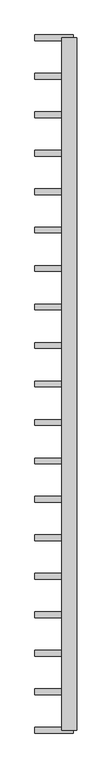
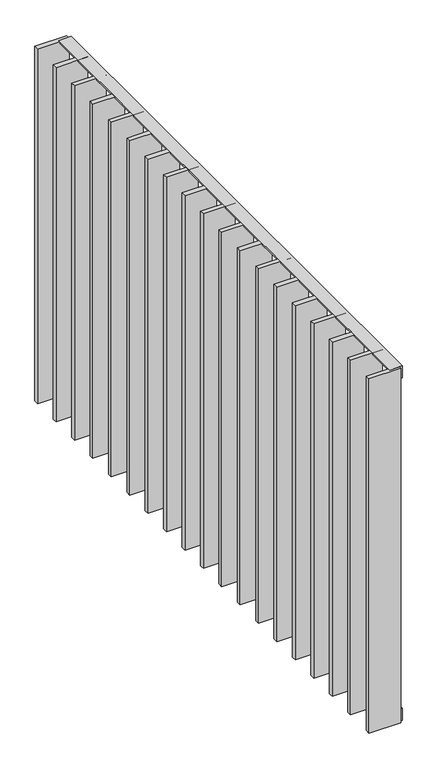
"""IFC4 building model written with IfcOpenShell, lengths in millimetres: railing geometry."""

from ifc_helpers import new_model, si_unit, frame, origin, place, context, project, spatial, polyline, outline, extrude, source, transform, mapped, element, save


def railing_69eebed1(model_context):
    return source(origin(), model_context, "Body", "SweptSolid", [
        extrude(outline(polyline([(6.0, -14.0), (40.0, -14.0), (40.0, -20.0), (0.0, -20.0), (0.0, 20.0), (6.0, 20.0), (6.0, -14.0)])), frame((42559.5112278, 21360.9194272, 8000.0), z_axis=(-2.5414472736162822e-12, 1.0, 0.0), x_axis=(0.0, 0.0, -1.0)), (0.0, 0.0, 1.0), 1810.0),
        extrude(outline(polyline([(-6.0, -14.0), (-6.0, 20.0), (0.0, 20.0), (0.0, -20.0), (-40.0, -20.0), (-40.0, -14.0), (-6.0, -14.0)])), frame((42559.5112278, 21360.9194272, 6820.0), z_axis=(-2.5414472736162822e-12, 1.0, 0.0), x_axis=(0.0, 0.0, -1.0)), (0.0, 0.0, 1.0), 1810.0),
        extrude(outline(polyline([(42569.5112278, 21468.9749827), (42569.5112278, 21453.9749827), (42469.5112278, 21453.9749827), (42469.5112278, 21468.9749827), (42569.5112278, 21468.9749827)])), frame((0.0, 0.0, 6819.9), z_axis=(0.0, 0.0, 1.0), x_axis=(1.0, 0.0, 0.0)), (0.0, 0.0, 1.0), 1180.2),
        extrude(outline(polyline([(42569.5112278, 21569.5305383), (42569.5112278, 21554.5305383), (42469.5112278, 21554.5305383), (42469.5112278, 21569.5305383), (42569.5112278, 21569.5305383)])), frame((0.0, 0.0, 6819.9), z_axis=(0.0, 0.0, 1.0), x_axis=(1.0, 0.0, 0.0)), (0.0, 0.0, 1.0), 1180.2),
        extrude(outline(polyline([(42569.5112278, 21670.0860938), (42569.5112278, 21655.0860938), (42469.5112278, 21655.0860938), (42469.5112278, 21670.0860938), (42569.5112278, 21670.0860938)])), frame((0.0, 0.0, 6819.9), z_axis=(0.0, 0.0, 1.0), x_axis=(1.0, 0.0, 0.0)), (0.0, 0.0, 1.0), 1180.2),
        extrude(outline(polyline([(42569.5112278, 21770.6416494), (42569.5112278, 21755.6416494), (42469.5112278, 21755.6416494), (42469.5112278, 21770.6416494), (42569.5112278, 21770.6416494)])), frame((0.0, 0.0, 6819.9), z_axis=(0.0, 0.0, 1.0), x_axis=(1.0, 0.0, 0.0)), (0.0, 0.0, 1.0), 1180.2),
        extrude(outline(polyline([(42569.5112278, 21871.1972049), (42569.5112278, 21856.1972049), (42469.5112278, 21856.1972049), (42469.5112278, 21871.1972049), (42569.5112278, 21871.1972049)])), frame((0.0, 0.0, 6819.9), z_axis=(0.0, 0.0, 1.0), x_axis=(1.0, 0.0, 0.0)), (0.0, 0.0, 1.0), 1180.2),
        extrude(outline(polyline([(42569.5112278, 21971.7527605), (42569.5112278, 21956.7527605), (42469.5112278, 21956.7527605), (42469.5112278, 21971.7527605), (42569.5112278, 21971.7527605)])), frame((0.0, 0.0, 6819.9), z_axis=(0.0, 0.0, 1.0), x_axis=(1.0, 0.0, 0.0)), (0.0, 0.0, 1.0), 1180.2),
        extrude(outline(polyline([(42569.5112278, 22072.308316), (42569.5112278, 22057.308316), (42469.5112278, 22057.308316), (42469.5112278, 22072.308316), (42569.5112278, 22072.308316)])), frame((0.0, 0.0, 6819.9), z_axis=(0.0, 0.0, 1.0), x_axis=(1.0, 0.0, 0.0)), (0.0, 0.0, 1.0), 1180.2),
        extrude(outline(polyline([(42569.5112278, 22172.8638716), (42569.5112278, 22157.8638716), (42469.5112278, 22157.8638716), (42469.5112278, 22172.8638716), (42569.5112278, 22172.8638716)])), frame((0.0, 0.0, 6819.9), z_axis=(0.0, 0.0, 1.0), x_axis=(1.0, 0.0, 0.0)), (0.0, 0.0, 1.0), 1180.2),
        extrude(outline(polyline([(42569.5112278, 22273.4194272), (42569.5112278, 22258.4194272), (42469.5112278, 22258.4194272), (42469.5112278, 22273.4194272), (42569.5112278, 22273.4194272)])), frame((0.0, 0.0, 6819.9), z_axis=(0.0, 0.0, 1.0), x_axis=(1.0, 0.0, 0.0)), (0.0, 0.0, 1.0), 1180.2),
        extrude(outline(polyline([(42569.5112278, 22373.9749827), (42569.5112278, 22358.9749827), (42469.5112278, 22358.9749827), (42469.5112278, 22373.9749827), (42569.5112278, 22373.9749827)])), frame((0.0, 0.0, 6819.9), z_axis=(0.0, 0.0, 1.0), x_axis=(1.0, 0.0, 0.0)), (0.0, 0.0, 1.0), 1180.2),
        extrude(outline(polyline([(42569.5112278, 22474.5305383), (42569.5112278, 22459.5305383), (42469.5112278, 22459.5305383), (42469.5112278, 22474.5305383), (42569.5112278, 22474.5305383)])), frame((0.0, 0.0, 6819.9), z_axis=(0.0, 0.0, 1.0), x_axis=(1.0, 0.0, 0.0)), (0.0, 0.0, 1.0), 1180.2),
        extrude(outline(polyline([(42569.5112278, 22575.0860938), (42569.5112278, 22560.0860938), (42469.5112278, 22560.0860938), (42469.5112278, 22575.0860938), (42569.5112278, 22575.0860938)])), frame((0.0, 0.0, 6819.9), z_axis=(0.0, 0.0, 1.0), x_axis=(1.0, 0.0, 0.0)), (0.0, 0.0, 1.0), 1180.2),
        extrude(outline(polyline([(42569.5112278, 22675.6416494), (42569.5112278, 22660.6416494), (42469.5112278, 22660.6416494), (42469.5112278, 22675.6416494), (42569.5112278, 22675.6416494)])), frame((0.0, 0.0, 6819.9), z_axis=(0.0, 0.0, 1.0), x_axis=(1.0, 0.0, 0.0)), (0.0, 0.0, 1.0), 1180.2),
        extrude(outline(polyline([(42569.5112278, 22776.1972049), (42569.5112278, 22761.1972049), (42469.5112278, 22761.1972049), (42469.5112278, 22776.1972049), (42569.5112278, 22776.1972049)])), frame((0.0, 0.0, 6819.9), z_axis=(0.0, 0.0, 1.0), x_axis=(1.0, 0.0, 0.0)), (0.0, 0.0, 1.0), 1180.2),
        extrude(outline(polyline([(42569.5112278, 22876.7527605), (42569.5112278, 22861.7527605), (42469.5112278, 22861.7527605), (42469.5112278, 22876.7527605), (42569.5112278, 22876.7527605)])), frame((0.0, 0.0, 6819.9), z_axis=(0.0, 0.0, 1.0), x_axis=(1.0, 0.0, 0.0)), (0.0, 0.0, 1.0), 1180.2),
        extrude(outline(polyline([(42569.5112278, 22977.308316), (42569.5112278, 22962.308316), (42469.5112278, 22962.308316), (42469.5112278, 22977.308316), (42569.5112278, 22977.308316)])), frame((0.0, 0.0, 6819.9), z_axis=(0.0, 0.0, 1.0), x_axis=(1.0, 0.0, 0.0)), (0.0, 0.0, 1.0), 1180.2),
        extrude(outline(polyline([(42569.5112278, 23077.8638716), (42569.5112278, 23062.8638716), (42469.5112278, 23062.8638716), (42469.5112278, 23077.8638716), (42569.5112278, 23077.8638716)])), frame((0.0, 0.0, 6819.9), z_axis=(0.0, 0.0, 1.0), x_axis=(1.0, 0.0, 0.0)), (0.0, 0.0, 1.0), 1180.2),
        extrude(outline(polyline([(42569.5112278, 21368.4194272), (42569.5112278, 21353.4194272), (42469.5112278, 21353.4194272), (42469.5112278, 21368.4194272), (42569.5112278, 21368.4194272)])), frame((0.0, 0.0, 6819.9), z_axis=(0.0, 0.0, 1.0), x_axis=(1.0, 0.0, 0.0)), (0.0, 0.0, 1.0), 1180.2),
        extrude(outline(polyline([(42569.5112278, 23178.4194272), (42569.5112278, 23163.4194272), (42469.5112278, 23163.4194272), (42469.5112278, 23178.4194272), (42569.5112278, 23178.4194272)])), frame((0.0, 0.0, 6819.9), z_axis=(0.0, 0.0, 1.0), x_axis=(1.0, 0.0, 0.0)), (0.0, 0.0, 1.0), 1180.2),
    ])


if __name__ == "__main__":
    model = new_model("IFC4")
    model_context = context("Model", 3, world=origin())
    ifc_project = project(units=[si_unit("LENGTHUNIT", "METRE", prefix="MILLI")], contexts=[model_context])
    site = spatial("IfcSite", under=ifc_project)
    building = spatial("IfcBuilding", under=site)
    placement = place(None, origin())
    railing_shape = railing_69eebed1(model_context)
    element("IfcRailing", 1, at=placement, inside=building, context=model_context, shape_type="MappedRepresentation", body=[
        mapped(railing_shape, transform((0.0, 0.0, 0.0), x_axis=(1.0, 0.0, 0.0), y_axis=(0.0, 1.0, 0.0), z_axis=(0.0, 0.0, 1.0))),
    ])
    save(model, "model.ifc")
